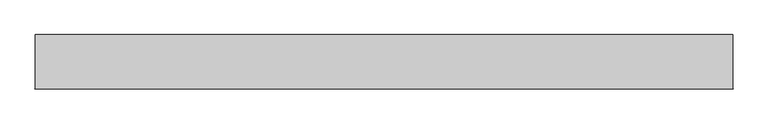
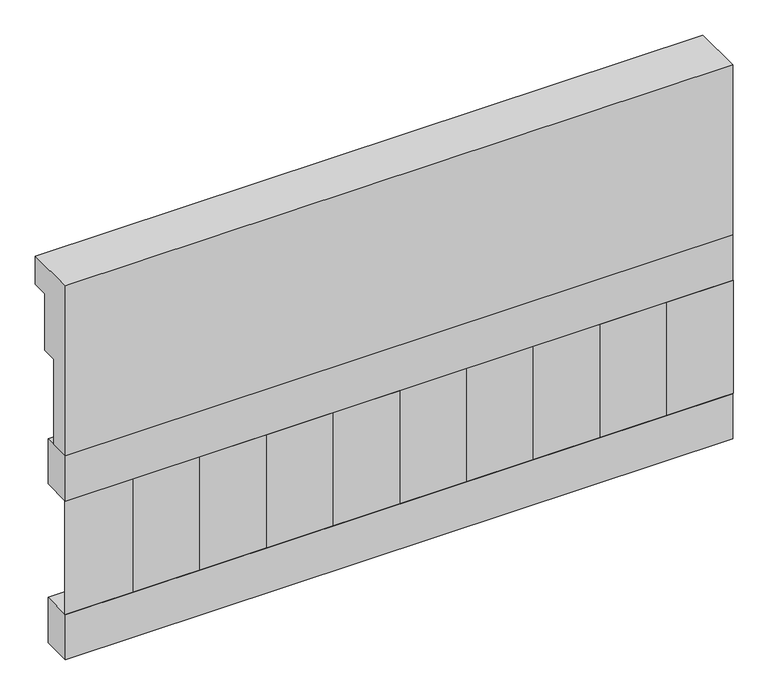
"""IFC4 building model written with IfcOpenShell, lengths in millimetres: railing geometry."""

import ifcopenshell
import ifcopenshell.guid

model = None  # the IFC model being written
_history = None  # IfcOwnerHistory: only IFC2X3 demands one
_inside = {}  # id of a spatial element -> (the spatial element, [elements in it])
_under = {}  # id of a project, library or spatial element -> (it, [spatial elements below it])
_declared = {}  # id of a project -> (the project, [libraries it declares])
_typed = {}  # id of a type object -> (the type object, [elements of that type])
_made_of = {}  # id of a material, layer set ... -> (it, [elements and type objects made of it])


def new_model(schema):
    """Start an empty IFC model of exactly this schema.

    Asked for "IFC4X3", IfcOpenShell would pick the latest addendum, in which some entities
    have other attributes; the version numbers below select the first issue.
    IFC2X3 requires an IfcOwnerHistory on every rooted entity: one is made here for all.
    """
    global model, _history
    if schema == "IFC4X3":
        model = ifcopenshell.file(schema_version=(4, 3, 0, 0))
    else:
        model = ifcopenshell.file(schema=schema)
    _inside.clear()
    _under.clear()
    _declared.clear()
    _typed.clear()
    _made_of.clear()
    _history = None
    if model.schema == "IFC2X3":
        org = make("IfcOrganization", Name="unknown")
        user = make(
            "IfcPersonAndOrganization",
            ThePerson=make("IfcPerson", FamilyName="unknown"),
            TheOrganization=org,
        )
        app = make(
            "IfcApplication",
            ApplicationDeveloper=org,
            Version="unknown",
            ApplicationFullName="unknown",
            ApplicationIdentifier="unknown",
        )
        _history = make(
            "IfcOwnerHistory",
            OwningUser=user,
            OwningApplication=app,
            ChangeAction="ADDED",
            CreationDate=0,
        )
    return model


def make(cls, **values):
    """One entity of the class cls with the attributes given. An attribute that is None is left unset."""
    return model.create_entity(
        cls, **{name: value for name, value in values.items() if value is not None}
    )


def rooted(cls, **values):
    """An entity with a GlobalId (a new one), such as an element, a storey or a relation."""
    return make(cls, GlobalId=ifcopenshell.guid.new(), OwnerHistory=_history, **values)


def si_unit(unit_type, name, prefix=None):
    """IfcSIUnit, for example si_unit("LENGTHUNIT", "METRE", prefix="MILLI")."""
    return make("IfcSIUnit", UnitType=unit_type, Prefix=prefix, Name=name)


def assignment(units):
    """IfcUnitAssignment: the units of a project."""
    return None if units is None else make("IfcUnitAssignment", Units=units)


def point(xyz):
    """IfcCartesianPoint."""
    return None if xyz is None else make("IfcCartesianPoint", Coordinates=xyz)


def direction(xyz):
    """IfcDirection."""
    return None if xyz is None else make("IfcDirection", DirectionRatios=xyz)


def frame(location, z_axis=None, x_axis=None):
    """IfcAxis2Placement3D, a coordinate frame: its origin and axes. An axis left out is left unset."""
    return make(
        "IfcAxis2Placement3D",
        Location=point(location),
        Axis=direction(z_axis),
        RefDirection=direction(x_axis),
    )


def origin():
    """The frame at (0, 0, 0) with its axes left unset."""
    return frame((0.0, 0.0, 0.0))


def place(relative_to, where):
    """IfcLocalPlacement: puts the frame where relative to a parent placement (None: the world)."""
    return make(
        "IfcLocalPlacement", PlacementRelTo=relative_to, RelativePlacement=where
    )


def context(
    kind, dimensions, precision=None, world=None, true_north=None, identifier=None
):
    """IfcGeometricRepresentationContext, for example the 3D "Model" context."""
    return make(
        "IfcGeometricRepresentationContext",
        ContextIdentifier=identifier,
        ContextType=kind,
        CoordinateSpaceDimension=dimensions,
        Precision=precision,
        WorldCoordinateSystem=world,
        TrueNorth=true_north,
    )


def project(units=None, contexts=None):
    """IfcProject with its units and contexts."""
    return rooted(
        "IfcProject",
        Name="project",
        RepresentationContexts=contexts,
        UnitsInContext=assignment(units),
    )


def spatial(cls, under=None, at=None, **own):
    """A site, building, storey or space (cls), placed at a placement, below another one or the project."""
    s = rooted(cls, ObjectPlacement=at, **own)
    if under is not None:
        _under.setdefault(under.id(), (under, []))[1].append(s)
    return s


def polyline(points):
    """IfcPolyline through the points."""
    return make("IfcPolyline", Points=[point(p) for p in points])


def outline(outer, holes=None, kind="AREA"):
    """IfcArbitraryClosedProfileDef: a profile drawn as a closed curve; with holes, ...WithVoids."""
    if holes is None:
        return make("IfcArbitraryClosedProfileDef", ProfileType=kind, OuterCurve=outer)
    return make(
        "IfcArbitraryProfileDefWithVoids",
        ProfileType=kind,
        OuterCurve=outer,
        InnerCurves=holes,
    )


def extrude(swept, where, along, depth):
    """IfcExtrudedAreaSolid: the profile swept, set in the frame where, extruded along a direction by depth."""
    return make(
        "IfcExtrudedAreaSolid",
        SweptArea=swept,
        Position=where,
        ExtrudedDirection=direction(along),
        Depth=depth,
    )


def shape(context_of_items, identifier, shape_type, items):
    """IfcShapeRepresentation: the items that make up one representation, for example the "Body"."""
    return make(
        "IfcShapeRepresentation",
        ContextOfItems=context_of_items,
        RepresentationIdentifier=identifier,
        RepresentationType=shape_type,
        Items=items,
    )


def source(mapping_origin, context_of_items, identifier, shape_type, items):
    """IfcRepresentationMap: a shape defined once, which mapped items show again and again."""
    return make(
        "IfcRepresentationMap",
        MappingOrigin=mapping_origin,
        MappedRepresentation=shape(context_of_items, identifier, shape_type, items),
    )


def transform(
    local_origin,
    x_axis=None,
    y_axis=None,
    z_axis=None,
    scale=None,
    scale2=None,
    scale3=None,
    uniform=True,
):
    """IfcCartesianTransformationOperator3D, or its non-uniform kind. x_axis, y_axis, z_axis: its Axis1, 2, 3."""
    if uniform:
        return make(
            "IfcCartesianTransformationOperator3D",
            Axis1=direction(x_axis),
            Axis2=direction(y_axis),
            LocalOrigin=point(local_origin),
            Scale=scale,
            Axis3=direction(z_axis),
        )
    return make(
        "IfcCartesianTransformationOperator3DnonUniform",
        Axis1=direction(x_axis),
        Axis2=direction(y_axis),
        LocalOrigin=point(local_origin),
        Scale=scale,
        Axis3=direction(z_axis),
        Scale2=scale2,
        Scale3=scale3,
    )


def mapped(mapping_source, mapping_target):
    """IfcMappedItem: shows the shape of a source again, moved by a transform."""
    return make(
        "IfcMappedItem", MappingSource=mapping_source, MappingTarget=mapping_target
    )


def made_of(thing, what):
    """Note that an element or type object is made of a material, layer set ...; save() writes the relation."""
    if what is not None:
        _made_of.setdefault(what.id(), (what, []))[1].append(thing)
    return thing


def element(
    cls,
    number,
    at=None,
    inside=None,
    cuts=None,
    type_object=None,
    material=None,
    context=None,
    identifier="Body",
    shape_type=None,
    held_by="IfcProductDefinitionShape",
    body=None,
    shapes=None,
    **own,
):
    """One element of the class cls, such as IfcWall. Its Tag is "e" and its number.

    at: its placement. inside: the storey or other place that contains it. cuts: it is an
    opening in that element (IfcRelVoidsElement). A single representation is given by context,
    identifier, shape_type and body (its items); several are given by shapes. held_by: the class
    of the entity that holds the representations. save() writes the other relations.
    """
    e = rooted(cls, Tag="e%d" % number, ObjectPlacement=at, **own)
    if body is not None:
        shapes = [shape(context, identifier, shape_type, body)]
    if shapes is not None:
        e.Representation = make(held_by, Representations=shapes)
    if inside is not None:
        _inside.setdefault(inside.id(), (inside, []))[1].append(e)
    if cuts is not None:
        rooted(
            "IfcRelVoidsElement", RelatingBuildingElement=cuts, RelatedOpeningElement=e
        )
    if type_object is not None:
        _typed.setdefault(type_object.id(), (type_object, []))[1].append(e)
    return made_of(e, material)


def aggregate(whole, parts):
    """IfcRelAggregates: a whole, such as a stair, and the parts it consists of."""
    return rooted("IfcRelAggregates", RelatingObject=whole, RelatedObjects=parts)


def save(model, path):
    """Write the relations noted so far, then the file.

    IfcRelAggregates (storeys below a building ...), IfcRelContainedInSpatialStructure (elements
    in a storey), IfcRelDefinesByType, IfcRelAssociatesMaterial and IfcRelDeclares: one each for
    every whole, place, type object, material and project.
    """
    for whole, parts in _under.values():
        aggregate(whole, parts)
    for where, things in _inside.values():
        rooted(
            "IfcRelContainedInSpatialStructure",
            RelatedElements=things,
            RelatingStructure=where,
        )
    for kind, things in _typed.values():
        rooted("IfcRelDefinesByType", RelatedObjects=things, RelatingType=kind)
    for what, things in _made_of.values():
        rooted("IfcRelAssociatesMaterial", RelatedObjects=things, RelatingMaterial=what)
    for by, libraries in _declared.values():
        rooted("IfcRelDeclares", RelatingContext=by, RelatedDefinitions=libraries)
    model.write(path)


def railing_41285505(model_context):
    return source(origin(), model_context, "Body", "SweptSolid", [
        extrude(outline(polyline([(903.1079487, 25100.0), (1033.1079487, 25100.0), (1033.1079487, 25025.0), (993.1079487, 25025.0), (993.1079487, 24875.0), (953.1079487, 24875.0), (953.1079487, 24650.0), (903.1079487, 24650.0), (903.1079487, 25100.0)])), frame((-36509.9887159, 0.0, 0.0), z_axis=(1.0, 0.0, 0.0), x_axis=(0.0, 1.0, 0.0)), (0.0, 0.0, 1.0), 1670.0),
        extrude(outline(polyline([(-34839.9887159, 978.1079487), (-34839.9887159, 903.1079487), (-36509.9887159, 903.1079487), (-36509.9887159, 978.1079487), (-34839.9887159, 978.1079487)])), frame((0.0, 0.0, 24530.0), z_axis=(0.0, 0.0, 1.0), x_axis=(1.0, 0.0, 0.0)), (0.0, 0.0, 1.0), 120.0),
        extrude(outline(polyline([(-34839.9887159, 978.1079487), (-34839.9887159, 903.1079487), (-36509.9887159, 903.1079487), (-36509.9887159, 978.1079487), (-34839.9887159, 978.1079487)])), frame((0.0, 0.0, 24110.0), z_axis=(0.0, 0.0, 1.0), x_axis=(1.0, 0.0, 0.0)), (0.0, 0.0, 1.0), 120.0),
        extrude(outline(polyline([(-36426.4887159, 987.9607624), (-36341.6359022, 903.1079487), (-36511.3415296, 903.1079487), (-36426.4887159, 987.9607624)])), frame((0.0, 0.0, 24230.0), z_axis=(0.0, 0.0, 1.0), x_axis=(1.0, 0.0, 0.0)), (0.0, 0.0, 1.0), 300.0),
        extrude(outline(polyline([(-36259.4887159, 987.9607624), (-36174.6359022, 903.1079487), (-36344.3415296, 903.1079487), (-36259.4887159, 987.9607624)])), frame((0.0, 0.0, 24230.0), z_axis=(0.0, 0.0, 1.0), x_axis=(1.0, 0.0, 0.0)), (0.0, 0.0, 1.0), 300.0),
        extrude(outline(polyline([(-36092.4887159, 987.9607624), (-36007.6359022, 903.1079487), (-36177.3415296, 903.1079487), (-36092.4887159, 987.9607624)])), frame((0.0, 0.0, 24230.0), z_axis=(0.0, 0.0, 1.0), x_axis=(1.0, 0.0, 0.0)), (0.0, 0.0, 1.0), 300.0),
        extrude(outline(polyline([(-35925.4887159, 987.9607624), (-35840.6359022, 903.1079487), (-36010.3415296, 903.1079487), (-35925.4887159, 987.9607624)])), frame((0.0, 0.0, 24230.0), z_axis=(0.0, 0.0, 1.0), x_axis=(1.0, 0.0, 0.0)), (0.0, 0.0, 1.0), 300.0),
        extrude(outline(polyline([(-35758.4887159, 987.9607624), (-35673.6359022, 903.1079487), (-35843.3415296, 903.1079487), (-35758.4887159, 987.9607624)])), frame((0.0, 0.0, 24230.0), z_axis=(0.0, 0.0, 1.0), x_axis=(1.0, 0.0, 0.0)), (0.0, 0.0, 1.0), 300.0),
        extrude(outline(polyline([(-35591.4887159, 987.9607624), (-35506.6359022, 903.1079487), (-35676.3415296, 903.1079487), (-35591.4887159, 987.9607624)])), frame((0.0, 0.0, 24230.0), z_axis=(0.0, 0.0, 1.0), x_axis=(1.0, 0.0, 0.0)), (0.0, 0.0, 1.0), 300.0),
        extrude(outline(polyline([(-35424.4887159, 987.9607624), (-35339.6359022, 903.1079487), (-35509.3415296, 903.1079487), (-35424.4887159, 987.9607624)])), frame((0.0, 0.0, 24230.0), z_axis=(0.0, 0.0, 1.0), x_axis=(1.0, 0.0, 0.0)), (0.0, 0.0, 1.0), 300.0),
        extrude(outline(polyline([(-35257.4887159, 987.9607624), (-35172.6359022, 903.1079487), (-35342.3415296, 903.1079487), (-35257.4887159, 987.9607624)])), frame((0.0, 0.0, 24230.0), z_axis=(0.0, 0.0, 1.0), x_axis=(1.0, 0.0, 0.0)), (0.0, 0.0, 1.0), 300.0),
        extrude(outline(polyline([(-35090.4887159, 987.9607624), (-35005.6359022, 903.1079487), (-35175.3415296, 903.1079487), (-35090.4887159, 987.9607624)])), frame((0.0, 0.0, 24230.0), z_axis=(0.0, 0.0, 1.0), x_axis=(1.0, 0.0, 0.0)), (0.0, 0.0, 1.0), 300.0),
        extrude(outline(polyline([(-34923.4887159, 987.9607624), (-34838.6359022, 903.1079487), (-35008.3415296, 903.1079487), (-34923.4887159, 987.9607624)])), frame((0.0, 0.0, 24230.0), z_axis=(0.0, 0.0, 1.0), x_axis=(1.0, 0.0, 0.0)), (0.0, 0.0, 1.0), 300.0),
    ])


if __name__ == "__main__":
    model = new_model("IFC4")
    model_context = context("Model", 3, world=origin())
    ifc_project = project(units=[si_unit("LENGTHUNIT", "METRE", prefix="MILLI")], contexts=[model_context])
    site = spatial("IfcSite", under=ifc_project)
    building = spatial("IfcBuilding", under=site)
    placement = place(None, origin())
    railing_shape = railing_41285505(model_context)
    element("IfcRailing", 1, at=placement, inside=building, context=model_context, shape_type="MappedRepresentation", body=[
        mapped(railing_shape, transform((0.0, 0.0, 0.0), x_axis=(1.0, 0.0, 0.0), y_axis=(0.0, 1.0, 0.0), z_axis=(0.0, 0.0, 1.0))),
    ])
    save(model, "model.ifc")
